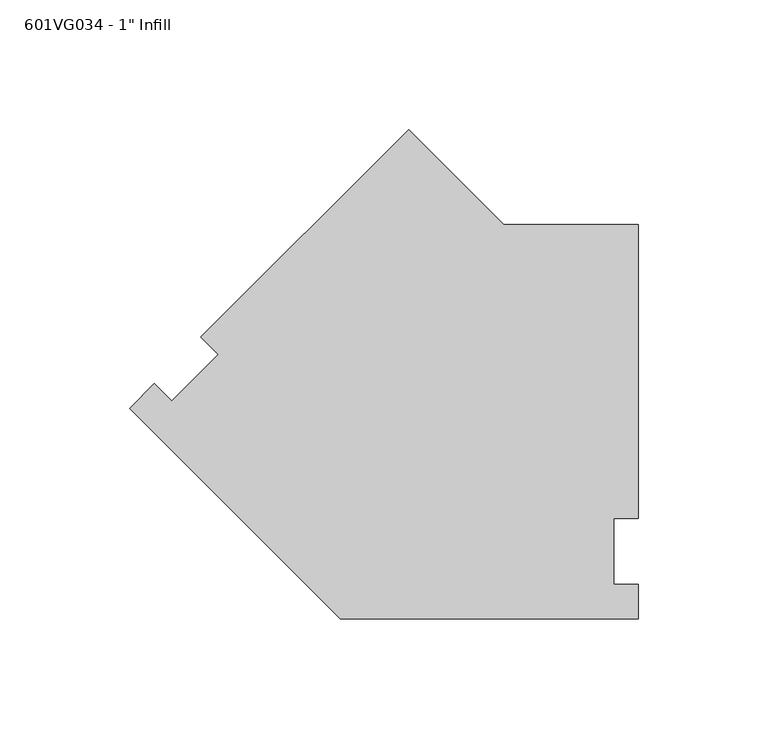
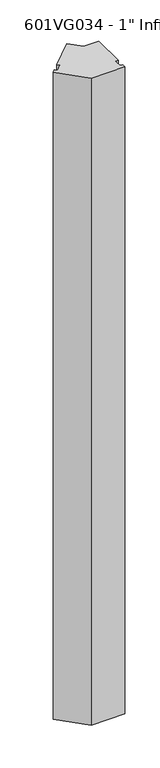
"""IFC4 building model written with IfcOpenShell, lengths in millimetres: proxy geometry."""

from ifc_helpers import new_model, si_unit, frame, origin, place, context, project, spatial, polyline, outline, extrude, source, transform, mapped, element, save


def proxy_83781f1e(model_context):
    return source(origin(), model_context, "Body", "SweptSolid", [
        extrude(outline(polyline([(15.5378736, 162.9528947), (52.2845183, 126.20625), (104.2521172, 126.20625), (104.2521172, 12.7), (94.7271172, 12.7), (94.7271172, -12.7), (104.2521172, -12.7), (104.2521172, -26.19375), (-10.8498065, -26.19375), (-92.2292888, 55.1857323), (-82.6877667, 64.7272544), (-75.9525746, 57.9920624), (-57.9920624, 75.9525746), (-64.7272544, 82.6877667), (15.5378736, 162.9528947)])), frame((0.0, 0.0, 50.8), z_axis=(0.0, 0.0, 1.0), x_axis=(1.0, 0.0, 0.0)), (0.0, 0.0, 1.0), 2324.1),
    ])


if __name__ == "__main__":
    model = new_model("IFC4")
    model_context = context("Model", 3, world=origin())
    ifc_project = project(units=[si_unit("LENGTHUNIT", "METRE", prefix="MILLI")], contexts=[model_context])
    site = spatial("IfcSite", under=ifc_project)
    building = spatial("IfcBuilding", under=site)
    placement = place(None, origin())
    proxy_shape = proxy_83781f1e(model_context)
    element("IfcBuildingElementProxy", 1, Name="601VG034 - 1\" Infill", ObjectType="601VG034 - 1\" Infill", at=placement, inside=building, context=model_context, shape_type="MappedRepresentation", body=[
        mapped(proxy_shape, transform((0.0, 0.0, 0.0), x_axis=(1.0, 0.0, 0.0), y_axis=(0.0, 1.0, 0.0), z_axis=(0.0, 0.0, 1.0))),
    ])
    save(model, "model.ifc")
